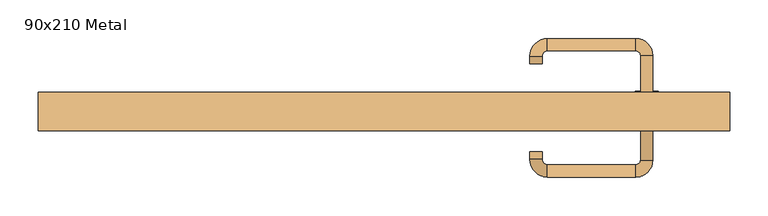
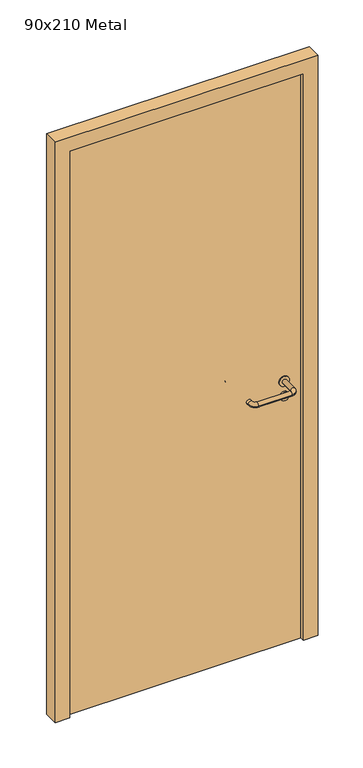
"""IFC4 building model written with IfcOpenShell, lengths in millimetres: door geometry, 90x210 Metal."""

from ifc_helpers import new_model, si_unit, point, frame, frame_2d, origin, origin_with_axes, place, context, project, spatial, polyline, circle_curve, ellipse_curve, trimmed, segment, composite_curve, outline, extrude, source, transform, mapped, element, save
from ifc_brep_helpers import plane_surface, cylinder_surface, revolved_surface, advanced_brep


def door_90x210_metal_103cea59(model_context):
    return source(origin(), model_context, "Body", "SolidModel", [
        extrude(outline(composite_curve([segment(trimmed(circle_curve(frame_2d((897.3605726, 342.0)), 15.0), [point((897.3605726, 357.0))], [point((897.3605726, 327.0))], False, "CARTESIAN"), True, "CONTINUOUS"), segment(trimmed(circle_curve(frame_2d((897.3605726, 342.0)), 15.0), [point((897.3605726, 327.0))], [point((897.3605726, 357.0))], False, "CARTESIAN"), True, "CONTINUOUS")], self_intersect=False), holes=[composite_curve([segment(trimmed(circle_curve(frame_2d((892.5833211, 341.9398032)), 2.0), [point((892.5833211, 343.9398032))], [point((892.5833211, 339.9398032))], True, "CARTESIAN"), True, "CONTINUOUS"), segment(polyline([(892.5833211, 339.9398032), (902.5833211, 339.9398032)]), True, "CONTINUOUS"), segment(trimmed(circle_curve(frame_2d((902.5833211, 341.9398032)), 2.0), [point((902.5833211, 339.9398032))], [point((902.5833211, 343.9398032))], True, "CARTESIAN"), True, "CONTINUOUS"), segment(polyline([(902.5833211, 343.9398032), (892.5833211, 343.9398032)]), True, "CONTINUOUS")], self_intersect=False)]), frame((0.0, 3.65, 0.0), z_axis=(0.0, 1.0, 0.0), x_axis=(0.0, 0.0, 1.0)), (0.0, 0.0, 1.0), 6.35),
        extrude(outline(composite_curve([segment(trimmed(circle_curve(frame_2d((950.0, 342.0)), 17.526), [point((950.0, 359.526))], [point((950.0, 324.474))], False, "CARTESIAN"), True, "CONTINUOUS"), segment(trimmed(circle_curve(frame_2d((950.0, 342.0)), 17.526), [point((950.0, 324.474))], [point((950.0, 359.526))], False, "CARTESIAN"), True, "CONTINUOUS")], self_intersect=False)), frame((0.0, 6.825, 0.0), z_axis=(0.0, 1.0, 0.0), x_axis=(0.0, 0.0, 1.0)), (0.0, 0.0, 1.0), 3.175),
        advanced_brep(
        [(350.0, 10.0, 950.0), (334.0, 10.0, 950.0), (334.0, -43.0, 950.0), (350.0, -43.0, 950.0), (327.8578644, -49.1421356, 950.0), (327.8578644, -65.1421356, 950.0), (212.8578644, -49.1421356, 950.0), (212.8578644, -65.1421356, 950.0), (206.008622, -42.2928932, 950.0), (190.008622, -42.2928932, 950.0), (190.008622, -32.2928932, 950.0), (206.008622, -32.2928932, 950.0)],
        [
            (0, 1, circle_curve(frame((342.0, 10.0, 950.0), z_axis=(0.0, 1.0, 0.0), x_axis=(-1.0, 0.0, 0.0)), 8.0)),
            (1, 0, circle_curve(frame((342.0, 10.0, 950.0), z_axis=(0.0, 1.0, 0.0), x_axis=(-1.0, 0.0, 0.0)), 8.0)),
            (1, 2),
            (2, 3, circle_curve(frame((342.0, -43.0, 950.0), z_axis=(0.0, 1.0, 0.0), x_axis=(-1.0, 0.0, 0.0)), 8.0)),
            (3, 0),
            (3, 2, circle_curve(frame((342.0, -43.0, 950.0), z_axis=(0.0, 1.0, 0.0), x_axis=(-1.0, 0.0, 0.0)), 8.0)),
            (4, 5, circle_curve(frame((327.8578644, -57.1421356, 950.0), z_axis=(1.0, 0.0, 0.0), x_axis=(0.0, 1.0, 0.0)), 8.0)),
            (5, 3, circle_curve(frame((327.8578644, -43.0, 950.0), z_axis=(0.0, 0.0, 1.0), x_axis=(1.0, 0.0, 0.0)), 22.1421356)),
            (2, 4, circle_curve(frame((327.8578644, -43.0, 950.0), z_axis=(0.0, 0.0, -1.0), x_axis=(1.0, 0.0, 0.0)), 6.1421356)),
            (5, 4, circle_curve(frame((327.8578644, -57.1421356, 950.0), z_axis=(1.0, 0.0, 0.0), x_axis=(0.0, 1.0, 0.0)), 8.0)),
            (4, 6),
            (6, 7, circle_curve(frame((212.8578644, -57.1421356, 950.0), z_axis=(1.0, 0.0, 0.0), x_axis=(0.0, 1.0, 0.0)), 8.0)),
            (7, 5),
            (7, 6, circle_curve(frame((212.8578644, -57.1421356, 950.0), z_axis=(1.0, 0.0, 0.0), x_axis=(0.0, 1.0, 0.0)), 8.0)),
            (8, 9, circle_curve(frame((198.008622, -42.2928932, 950.0), z_axis=(0.0, -1.0, 0.0), x_axis=(1.0, 0.0, 0.0)), 8.0)),
            (9, 7, circle_curve(frame((212.8578644, -42.2928932, 950.0), z_axis=(0.0, 0.0, 1.0), x_axis=(0.0, -1.0, 0.0)), 22.8492424)),
            (6, 8, circle_curve(frame((212.8578644, -42.2928932, 950.0), z_axis=(0.0, 0.0, -1.0), x_axis=(0.0, -1.0, 0.0)), 6.8492424)),
            (9, 8, circle_curve(frame((198.008622, -42.2928932, 950.0), z_axis=(0.0, -1.0, 0.0), x_axis=(1.0, 0.0, 0.0)), 8.0)),
            (10, 11, circle_curve(frame((198.008622, -32.2928932, 950.0), z_axis=(0.0, 1.0, 0.0), x_axis=(1.0, 0.0, 0.0)), 8.0)),
            (11, 10, circle_curve(frame((198.008622, -32.2928932, 950.0), z_axis=(0.0, 1.0, 0.0), x_axis=(1.0, 0.0, 0.0)), 8.0)),
            (8, 11),
            (10, 9),
        ],
        [
            plane_surface(frame((342.0, 10.0, 170.0), z_axis=(0.0, 1.0, 0.0), x_axis=(0.0, 0.0, 1.0))),
            cylinder_surface(frame((342.0, 10.0, 950.0), z_axis=(0.0, 1.0, 0.0), x_axis=(-1.0, 0.0, 0.0)), 8.0),
            revolved_surface(trimmed(ellipse_curve(frame((342.0, -43.0, 950.0), z_axis=(0.0, -1.0, 0.0), x_axis=(-1.0, 0.0, 0.0)), 8.0, 8.0), [point((350.0, -43.0, 950.0))], [point((334.0, -43.0, 950.0))], True, "CARTESIAN"), (327.8578644, -43.0, 170.0), (0.0, 0.0, 1.0)),
            revolved_surface(trimmed(ellipse_curve(frame((342.0, -43.0, 950.0), z_axis=(0.0, -1.0, 0.0), x_axis=(-1.0, 0.0, 0.0)), 8.0, 8.0), [point((334.0, -43.0, 950.0))], [point((350.0, -43.0, 950.0))], True, "CARTESIAN"), (327.8578644, -43.0, 170.0), (0.0, 0.0, 1.0)),
            cylinder_surface(frame((327.8578644, -57.1421356, 950.0), z_axis=(1.0, 0.0, 0.0), x_axis=(0.0, 1.0, 0.0)), 8.0),
            revolved_surface(trimmed(ellipse_curve(frame((212.8578644, -57.1421356, 950.0), z_axis=(-1.0, 0.0, 0.0), x_axis=(0.0, 1.0, 0.0)), 8.0, 8.0), [point((212.8578644, -65.1421356, 950.0))], [point((212.8578644, -49.1421356, 950.0))], True, "CARTESIAN"), (212.8578644, -42.2928932, 170.0), (0.0, 0.0, 1.0)),
            revolved_surface(trimmed(ellipse_curve(frame((212.8578644, -57.1421356, 950.0), z_axis=(-1.0, 0.0, 0.0), x_axis=(0.0, 1.0, 0.0)), 8.0, 8.0), [point((212.8578644, -49.1421356, 950.0))], [point((212.8578644, -65.1421356, 950.0))], True, "CARTESIAN"), (212.8578644, -42.2928932, 170.0), (0.0, 0.0, 1.0)),
            plane_surface(frame((198.008622, -32.2928932, 170.0), z_axis=(0.0, 1.0, 0.0), x_axis=(0.0, 0.0, 1.0))),
            cylinder_surface(frame((198.008622, -42.2928932, 950.0), z_axis=(0.0, -1.0, 0.0), x_axis=(1.0, 0.0, 0.0)), 8.0),
        ],
        [
            (0, [[1, 2]]),
            (1, [[3, 4, 5, -2]]),
            (1, [[-5, 6, -3, -1]]),
            (2, [[7, 8, -4, 9]]),
            (3, [[10, -9, -6, -8]]),
            (4, [[11, 12, 13, -7]]),
            (4, [[-13, 14, -11, -10]]),
            (5, [[15, 16, -12, 17]]),
            (6, [[18, -17, -14, -16]]),
            (7, [[19, 20]]),
            (8, [[21, -19, 22, -15]]),
            (8, [[-22, -20, -21, -18]]),
        ],
    ),
        extrude(outline(composite_curve([segment(trimmed(circle_curve(frame_2d((0.0, -15.0)), 15.0), [point((0.0, -30.0))], [point((0.0, 0.0))], False, "CARTESIAN"), True, "CONTINUOUS"), segment(trimmed(circle_curve(frame_2d((0.0, -15.0)), 15.0), [point((0.0, 0.0))], [point((0.0, -30.0))], False, "CARTESIAN"), True, "CONTINUOUS")], self_intersect=False), holes=[composite_curve([segment(trimmed(circle_curve(frame_2d((4.7772515, -14.9398032)), 2.0), [point((4.7772515, -16.9398032))], [point((4.7772515, -12.9398032))], True, "CARTESIAN"), True, "CONTINUOUS"), segment(polyline([(4.7772515, -12.9398032), (-5.2227485, -12.9398032)]), True, "CONTINUOUS"), segment(trimmed(circle_curve(frame_2d((-5.2227485, -14.9398032)), 2.0), [point((-5.2227485, -12.9398032))], [point((-5.2227485, -16.9398032))], True, "CARTESIAN"), True, "CONTINUOUS"), segment(polyline([(-5.2227485, -16.9398032), (4.7772515, -16.9398032)]), True, "CONTINUOUS")], self_intersect=False)]), frame((327.0, 40.0, 897.3605726), z_axis=(1.8870575173328306e-12, 1.0, 0.0), x_axis=(0.0, 0.0, -1.0)), (0.0, 0.0, 1.0), 6.35),
        extrude(outline(composite_curve([segment(trimmed(circle_curve(frame_2d((0.0, -17.526)), 17.526), [point((0.0, -35.052))], [point((0.0, 0.0))], False, "CARTESIAN"), True, "CONTINUOUS"), segment(trimmed(circle_curve(frame_2d((0.0, -17.526)), 17.526), [point((0.0, 0.0))], [point((0.0, -35.052))], False, "CARTESIAN"), True, "CONTINUOUS")], self_intersect=False)), frame((324.474, 40.0, 950.0), z_axis=(1.8870575173328306e-12, 1.0, 0.0), x_axis=(0.0, 0.0, -1.0)), (0.0, 0.0, 1.0), 3.175),
        advanced_brep(
        [(350.0, 40.0, 950.0), (334.0, 40.0, 950.0), (350.0, 93.0, 950.0), (334.0, 93.0, 950.0), (327.8578644, 99.1421356, 950.0), (327.8578644, 115.1421356, 950.0), (212.8578644, 115.1421356, 950.0), (212.8578644, 99.1421356, 950.0), (206.008622, 92.2928932, 950.0), (190.008622, 92.2928932, 950.0), (190.008622, 82.2928932, 950.0), (206.008622, 82.2928932, 950.0)],
        [
            (0, 1, circle_curve(frame((342.0, 40.0, 950.0), z_axis=(-1.888672253512351e-12, -1.0, 0.0), x_axis=(-1.0, 1.888672253512351e-12, 0.0)), 8.0)),
            (1, 0, circle_curve(frame((342.0, 40.0, 950.0), z_axis=(-1.888672253512351e-12, -1.0, 0.0), x_axis=(-1.0, 1.888672253512351e-12, 0.0)), 8.0)),
            (0, 2),
            (2, 3, circle_curve(frame((342.0, 93.0, 950.0), z_axis=(-1.888672253512351e-12, -1.0, 0.0), x_axis=(-1.0, 1.888672253512351e-12, 0.0)), 8.0)),
            (3, 1),
            (3, 2, circle_curve(frame((342.0, 93.0, 950.0), z_axis=(-1.888672253512351e-12, -1.0, 0.0), x_axis=(-1.0, 1.888672253512351e-12, 0.0)), 8.0)),
            (4, 3, circle_curve(frame((327.8578644, 93.0, 950.0), z_axis=(0.0, 0.0, -1.0), x_axis=(1.0, -1.880717803715015e-12, 0.0)), 6.1421356)),
            (2, 5, circle_curve(frame((327.8578644, 93.0, 950.0), z_axis=(0.0, 0.0, 1.0), x_axis=(1.0, -1.880717803715015e-12, 0.0)), 22.1421356)),
            (5, 4, circle_curve(frame((327.8578644, 107.1421356, 950.0), z_axis=(1.0, -1.913702061528922e-12, 0.0), x_axis=(-1.913702061528922e-12, -1.0, 0.0)), 8.0)),
            (4, 5, circle_curve(frame((327.8578644, 107.1421356, 950.0), z_axis=(1.0, -1.913702061528922e-12, 0.0), x_axis=(-1.913702061528922e-12, -1.0, 0.0)), 8.0)),
            (5, 6),
            (6, 7, circle_curve(frame((212.8578644, 107.1421356, 950.0), z_axis=(1.0, -1.913719828541269e-12, 0.0), x_axis=(-1.913719828541269e-12, -1.0, 0.0)), 8.0)),
            (7, 4),
            (7, 6, circle_curve(frame((212.8578644, 107.1421356, 950.0), z_axis=(1.0, -1.913719828541269e-12, 0.0), x_axis=(-1.913719828541269e-12, -1.0, 0.0)), 8.0)),
            (8, 7, circle_curve(frame((212.8578644, 92.2928932, 950.0), z_axis=(0.0, 0.0, -1.0), x_axis=(1.9120873253494017e-12, 1.0, 0.0)), 6.8492424)),
            (6, 9, circle_curve(frame((212.8578644, 92.2928932, 950.0), z_axis=(0.0, 0.0, 1.0), x_axis=(1.9120873253494017e-12, 1.0, 0.0)), 22.8492424)),
            (9, 8, circle_curve(frame((198.008622, 92.2928932, 950.0), z_axis=(1.890670654956676e-12, 1.0, 0.0), x_axis=(1.0, -1.890670654956676e-12, 0.0)), 8.0)),
            (8, 9, circle_curve(frame((198.008622, 92.2928932, 950.0), z_axis=(1.890226565746826e-12, 1.0, 0.0), x_axis=(1.0, -1.890226565746826e-12, 0.0)), 8.0)),
            (10, 11, circle_curve(frame((198.008622, 82.2928932, 950.0), z_axis=(-1.8903642334018795e-12, -1.0, 0.0), x_axis=(1.0, -1.8903642334018795e-12, 0.0)), 8.0)),
            (11, 10, circle_curve(frame((198.008622, 82.2928932, 950.0), z_axis=(-1.8903642334018795e-12, -1.0, 0.0), x_axis=(1.0, -1.8903642334018795e-12, 0.0)), 8.0)),
            (9, 10),
            (11, 8),
        ],
        [
            plane_surface(frame((342.0, 40.0, 170.0), z_axis=(-1.8870575173328306e-12, -1.0, 0.0), x_axis=(0.0, 0.0, 1.0))),
            cylinder_surface(frame((342.0, 40.0, 950.0), z_axis=(-1.888672253512351e-12, -1.0, 0.0), x_axis=(-1.0, 1.888672253512351e-12, 0.0)), 8.0),
            revolved_surface(trimmed(ellipse_curve(frame((342.0, 93.0, 950.0), z_axis=(-1.8823325398945356e-12, -1.0, 0.0), x_axis=(-1.0, 1.8823325398945356e-12, 0.0)), 8.0, 8.0), [point((350.0, 93.0, 950.0))], [point((334.0, 93.0, 950.0))], True, "CARTESIAN"), (327.8578644, 93.0, 170.0), (0.0, 0.0, 1.0)),
            revolved_surface(trimmed(ellipse_curve(frame((342.0, 93.0, 950.0), z_axis=(-1.8823325398945356e-12, -1.0, 0.0), x_axis=(-1.0, 1.8823325398945356e-12, 0.0)), 8.0, 8.0), [point((334.0, 93.0, 950.0))], [point((350.0, 93.0, 950.0))], True, "CARTESIAN"), (327.8578644, 93.0, 170.0), (0.0, 0.0, 1.0)),
            cylinder_surface(frame((327.8578644, 107.1421356, 950.0), z_axis=(1.0, -1.913719828541269e-12, 0.0), x_axis=(-1.913719828541269e-12, -1.0, 0.0)), 8.0),
            revolved_surface(trimmed(ellipse_curve(frame((212.8578644, 107.1421356, 950.0), z_axis=(1.0, -1.913702061528922e-12, 0.0), x_axis=(-1.913702061528922e-12, -1.0, 0.0)), 8.0, 8.0), [point((212.8578644, 115.1421356, 950.0))], [point((212.8578644, 99.1421356, 950.0))], True, "CARTESIAN"), (212.8578644, 92.2928932, 170.0), (0.0, 0.0, 1.0)),
            revolved_surface(trimmed(ellipse_curve(frame((212.8578644, 107.1421356, 950.0), z_axis=(1.0, -1.913702061528922e-12, 0.0), x_axis=(-1.913702061528922e-12, -1.0, 0.0)), 8.0, 8.0), [point((212.8578644, 99.1421356, 950.0))], [point((212.8578644, 115.1421356, 950.0))], True, "CARTESIAN"), (212.8578644, 92.2928932, 170.0), (0.0, 0.0, 1.0)),
            plane_surface(frame((198.008622, 82.2928932, 170.0), z_axis=(-1.8887494972223595e-12, -1.0, 0.0), x_axis=(0.0, 0.0, 1.0))),
            cylinder_surface(frame((198.008622, 92.2928932, 950.0), z_axis=(1.8903642334018795e-12, 1.0, 0.0), x_axis=(1.0, -1.8903642334018795e-12, 0.0)), 8.0),
        ],
        [
            (0, [[1, 2]]),
            (1, [[-1, 3, 4, 5]]),
            (1, [[-2, -5, 6, -3]]),
            (2, [[7, -4, 8, 9]]),
            (3, [[-8, -6, -7, 10]]),
            (4, [[-9, 11, 12, 13]]),
            (4, [[-10, -13, 14, -11]]),
            (5, [[15, -12, 16, 17]]),
            (6, [[-16, -14, -15, 18]]),
            (7, [[19, 20]]),
            (8, [[-17, 21, -20, 22]]),
            (8, [[-18, -22, -19, -21]]),
        ],
    ),
        extrude(outline(polyline([(2050.0, 400.0), (0.0, 400.0), (0.0, 450.0), (2100.0, 450.0), (2100.0, -450.0), (0.0, -450.0), (0.0, -400.0), (2050.0, -400.0), (2050.0, 400.0)])), frame((0.0, -5.0, 0.0), z_axis=(0.0, 1.0, 0.0), x_axis=(0.0, 0.0, 1.0)), (0.0, 0.0, 1.0), 50.0),
        extrude(outline(polyline([(-400.0, 40.0), (400.0, 40.0), (400.0, 10.0), (-400.0, 10.0), (-400.0, 40.0)])), origin_with_axes(), (0.0, 0.0, 1.0), 2050.0),
    ])


if __name__ == "__main__":
    model = new_model("IFC4")
    model_context = context("Model", 3, world=origin())
    ifc_project = project(units=[si_unit("LENGTHUNIT", "METRE", prefix="MILLI")], contexts=[model_context])
    site = spatial("IfcSite", under=ifc_project)
    building = spatial("IfcBuilding", under=site)
    placement = place(None, origin())
    door_90x210_metal_shape = door_90x210_metal_103cea59(model_context)
    element("IfcDoor", 1, ObjectType="90x210 Metal", at=placement, inside=building, context=model_context, shape_type="MappedRepresentation", body=[
        mapped(door_90x210_metal_shape, transform((0.0, 0.0, 0.0), x_axis=(1.0, 0.0, 0.0), y_axis=(0.0, 1.0, 0.0), z_axis=(0.0, 0.0, 1.0))),
    ])
    save(model, "model.ifc")
